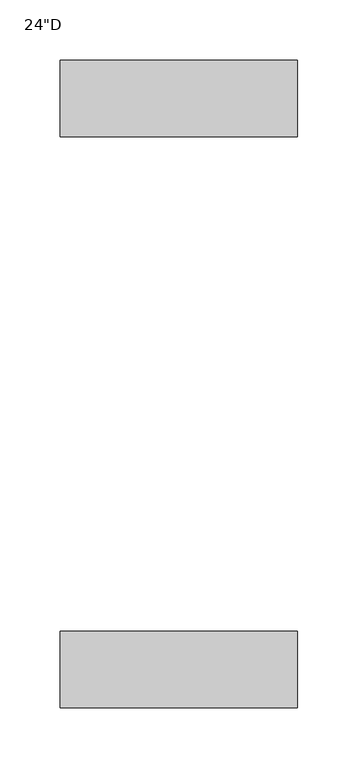
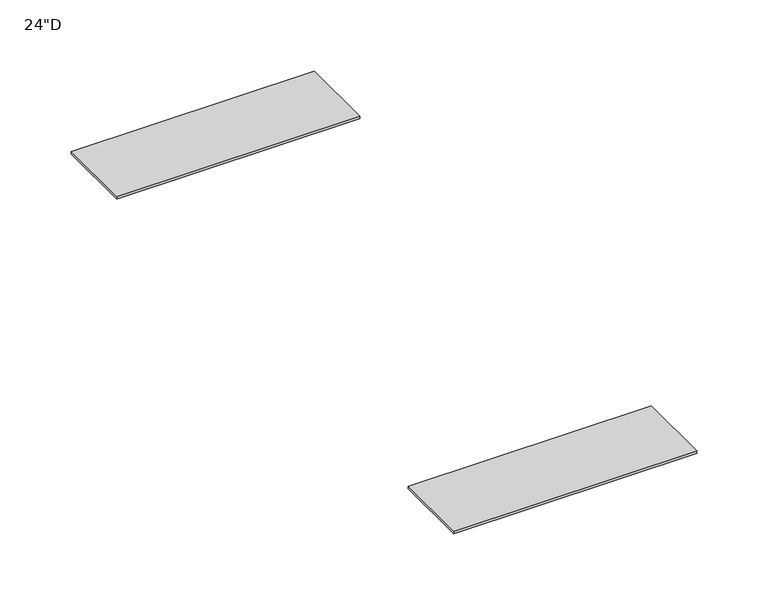
"""IFC4 building model written with IfcOpenShell, lengths in millimetres: furniture geometry."""

from ifc_helpers import new_model, si_unit, frame, origin, place, context, project, spatial, polyline, outline, extrude, source, transform, mapped, element, save


def furniture_879926c9(model_context):
    return source(origin(), model_context, "Body", "SweptSolid", [
        extrude(outline(polyline([(-657.9585985, 177.7226437), (-461.1085985, 177.7226437), (-461.1085985, 114.2226437), (-657.9585985, 114.2226437), (-657.9585985, 177.7226437)])), frame((0.0, 0.0, 704.9262), z_axis=(0.0, 0.0, 1.0), x_axis=(1.0, 0.0, 0.0)), (0.0, 0.0, 1.0), 2.0828),
        extrude(outline(polyline([(-657.9585985, 650.9246437), (-461.1085985, 650.9246437), (-461.1085985, 587.4246437), (-657.9585985, 587.4246437), (-657.9585985, 650.9246437)])), frame((0.0, 0.0, 704.9262), z_axis=(0.0, 0.0, 1.0), x_axis=(1.0, 0.0, 0.0)), (0.0, 0.0, 1.0), 2.0828),
    ])


if __name__ == "__main__":
    model = new_model("IFC4")
    model_context = context("Model", 3, world=origin())
    ifc_project = project(units=[si_unit("LENGTHUNIT", "METRE", prefix="MILLI")], contexts=[model_context])
    site = spatial("IfcSite", under=ifc_project)
    building = spatial("IfcBuilding", under=site)
    placement = place(None, origin())
    furniture_shape = furniture_879926c9(model_context)
    element("IfcFurniture", 1, ObjectType="24\"D", at=placement, inside=building, context=model_context, shape_type="MappedRepresentation", body=[
        mapped(furniture_shape, transform((0.0, 0.0, 0.0), x_axis=(1.0, 0.0, 0.0), y_axis=(0.0, 1.0, 0.0), z_axis=(0.0, 0.0, 1.0))),
    ])
    save(model, "model.ifc")
